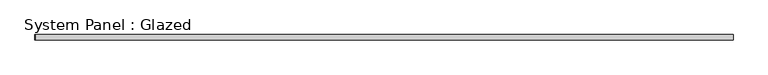
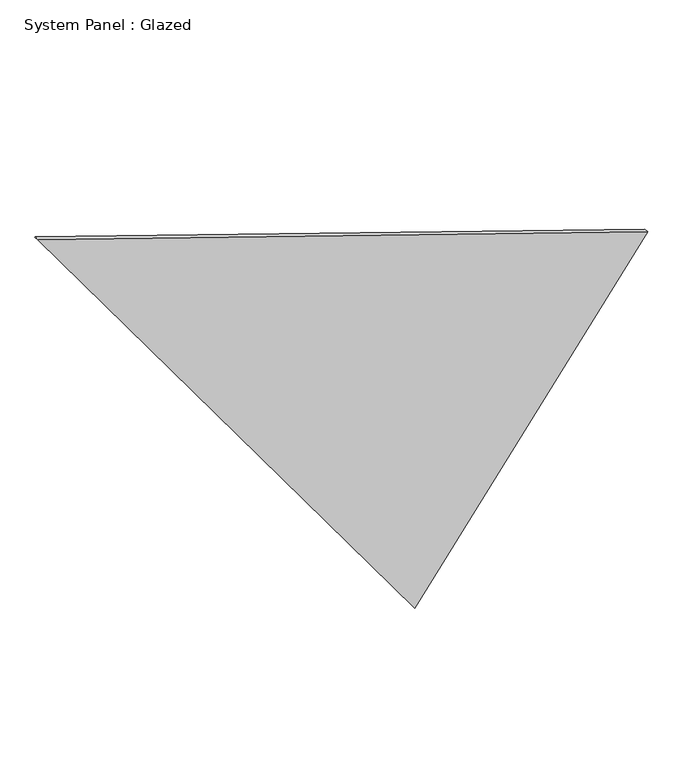
"""IFC4 building model written with IfcOpenShell, lengths in millimetres: plate geometry, System Panel : Glazed."""

from ifc_helpers import new_model, si_unit, frame, origin, place, context, project, spatial, polyline, outline, extrude, source, transform, mapped, element, save


def system_panel_glazed_dd405b99(model_context):
    return source(origin(), model_context, "Body", "SweptSolid", [
        extrude(outline(polyline([(0.0, 384.2710421), (1691.5088899, 1630.1495259), (2788.5872162, -1629.2185588), (2787.3232573, -1630.1495259), (0.0, 384.2710421)])), frame((0.0, -49.5, 0.0), z_axis=(0.0, 1.0, 0.0), x_axis=(0.0, 0.0, 1.0)), (0.0, 0.0, 1.0), 25.0),
    ])


if __name__ == "__main__":
    model = new_model("IFC4")
    model_context = context("Model", 3, world=origin())
    ifc_project = project(units=[si_unit("LENGTHUNIT", "METRE", prefix="MILLI")], contexts=[model_context])
    site = spatial("IfcSite", under=ifc_project)
    building = spatial("IfcBuilding", under=site)
    placement = place(None, origin())
    system_panel_glazed_shape = system_panel_glazed_dd405b99(model_context)
    element("IfcPlate", 1, ObjectType="System Panel : Glazed", at=placement, inside=building, context=model_context, shape_type="MappedRepresentation", body=[
        mapped(system_panel_glazed_shape, transform((0.0, 0.0, 0.0), x_axis=(1.0, 0.0, 0.0), y_axis=(0.0, 1.0, 0.0), z_axis=(0.0, 0.0, 1.0))),
    ])
    save(model, "model.ifc")
